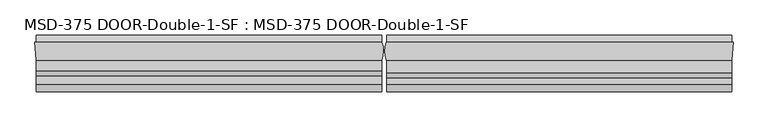
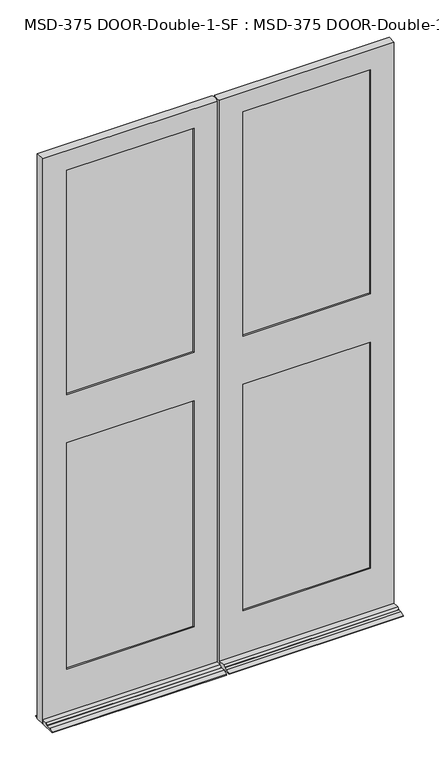
"""IFC4 building model written with IfcOpenShell, lengths in millimetres: plate geometry, MSD-375 DOOR-Double-1-SF : MSD-375 DOOR-Double-1-SF."""

from ifc_helpers import new_model, si_unit, frame, origin, place, context, project, spatial, polyline, circle_curve, outline, extrude, source, transform, mapped, element, save
from ifc_brep_helpers import plane_surface, cylinder_surface, advanced_brep


def msd_375_door_double_1_sf_msd_375_door_double_1_sf_95376948(model_context):
    return source(origin(), model_context, "Body", "SolidModel", [
        advanced_brep(
        [(-875.0543684, -44.45, 0.0), (-877.8229684, 0.0, 0.0), (-874.8315257, 0.0, 0.0), (-874.8315257, 19.05, 0.0), (-6.1450388, 19.05, 0.0), (-6.1450388, 0.0, 0.0), (-5.5889985, 0.0, 0.0), (-6.1450388, -44.45, 0.0), (-6.1450388, -123.825, 0.0), (-874.8315257, -123.825, 0.0), (-874.8315257, -44.45, 0.0), (-6.1450388, -44.45, 21.4376), (-6.1450388, -70.3199, 21.4376), (-6.1450388, -82.7405, 14.2748), (-6.1450388, -82.7405, 12.7), (-6.1450388, -104.775, 12.7), (-6.1450388, -123.825, 3.175), (-6.1450388, 19.05, 3.175), (-6.1450388, 0.0, 12.7), (-874.8315257, 0.0, 12.7), (-874.8315257, 19.05, 3.175), (-874.8315257, -123.825, 3.175), (-874.8315257, -104.775, 12.7), (-874.8315257, -82.7405, 12.7), (-874.8315257, -82.7405, 14.2748), (-874.8315257, -70.3199, 21.4376), (-874.8315257, -44.45, 21.4376), (-122.2373508, -11.6078, 1670.8374), (-122.2373508, -37.0078, 1670.8374), (-122.2373508, -37.0078, 1456.5122), (-122.2373508, -11.6078, 1456.5122), (-122.2373508, 0.0, 1436.6748), (-122.2373508, 0.0, 246.0625), (-122.2373508, -11.6078, 246.0625), (-122.2373508, -11.6078, 1436.6748), (-122.2373508, -11.6078, 1690.6748), (-122.2373508, -11.6078, 2870.2), (-122.2373508, 0.0, 2870.2), (-122.2373508, 0.0, 1690.6748), (-102.3999508, -37.0078, 2890.0374), (-102.3999508, -11.6078, 2890.0374), (-102.3999508, -11.6078, 226.21875), (-102.3999508, -37.0078, 226.21875), (-122.2373508, -37.0078, 1436.6748), (-122.2373508, -37.0078, 246.0625), (-122.2373508, -44.45, 246.0625), (-122.2373508, -44.45, 1436.6748), (-122.2373508, -44.45, 1690.6748), (-122.2373508, -44.45, 2870.2), (-122.2373508, -37.0078, 2870.2), (-122.2373508, -37.0078, 1690.6748), (-757.1729684, -44.45, 246.0625), (-757.1729684, -37.0078, 246.0625), (-757.1729684, -37.0078, 1436.6748), (-757.1729684, -44.45, 1436.6748), (-757.1729684, -37.0078, 2870.2), (-757.1729684, -44.45, 2870.2), (-757.1729684, -44.45, 1690.6748), (-757.1729684, -37.0078, 1690.6748), (-777.0103684, -11.6078, 2890.0374), (-777.0103684, -37.0078, 2890.0374), (-777.0103684, -37.0078, 226.21875), (-777.0103684, -11.6078, 226.21875), (-757.1729684, -11.6078, 246.0625), (-757.1729684, 0.0, 246.0625), (-757.1729684, 0.0, 1436.6748), (-757.1729684, -11.6078, 1436.6748), (-757.1729684, 0.0, 2870.2), (-757.1729684, -11.6078, 2870.2), (-757.1729684, -11.6078, 1690.6748), (-757.1729684, 0.0, 1690.6748), (-757.1729684, -11.6078, 1670.8374), (-757.1729684, -37.0078, 1670.8374), (-757.1729684, -37.0078, 1456.5122), (-757.1729684, -11.6078, 1456.5122), (-5.5889985, 0.0, 2971.8), (-6.1450388, -44.45, 2971.8), (-875.0543684, -44.45, 2971.8), (-877.8229684, 0.0, 2971.8)],
        [
            (0, 1),
            (1, 2),
            (2, 3),
            (3, 4),
            (4, 5),
            (5, 6),
            (6, 7, circle_curve(frame((-61.4514685, -21.529675, 0.0), z_axis=(0.0, 0.0, -1.0), x_axis=(0.0, -1.0, 0.0)), 59.867708)),
            (7, 8),
            (8, 9),
            (9, 10),
            (10, 0),
            (11, 12),
            (12, 13),
            (13, 14),
            (14, 15),
            (15, 16),
            (16, 8),
            (7, 11),
            (4, 17),
            (17, 18),
            (18, 5),
            (19, 20),
            (20, 3),
            (2, 19),
            (9, 21),
            (21, 22),
            (22, 23),
            (23, 24),
            (24, 25),
            (25, 26),
            (26, 10),
            (27, 28),
            (28, 29),
            (29, 30),
            (30, 27),
            (31, 32),
            (32, 33),
            (33, 34),
            (34, 31),
            (35, 36),
            (36, 37),
            (37, 38),
            (38, 35),
            (39, 40),
            (40, 41),
            (41, 42),
            (42, 39),
            (43, 44),
            (44, 45),
            (45, 46),
            (46, 43),
            (47, 48),
            (48, 49),
            (49, 50),
            (50, 47),
            (51, 52),
            (52, 53),
            (53, 54),
            (54, 51),
            (55, 56),
            (56, 57),
            (57, 58),
            (58, 55),
            (59, 60),
            (60, 61),
            (61, 62),
            (62, 59),
            (63, 64),
            (64, 65),
            (65, 66),
            (66, 63),
            (67, 68),
            (68, 69),
            (69, 70),
            (70, 67),
            (63, 33),
            (32, 64),
            (61, 42),
            (41, 62),
            (51, 45),
            (44, 52),
            (11, 26),
            (25, 12),
            (24, 13),
            (23, 14),
            (22, 15),
            (21, 16),
            (20, 17),
            (19, 18),
            (38, 70),
            (69, 35),
            (27, 71),
            (71, 72),
            (72, 28),
            (50, 58),
            (57, 47),
            (46, 54),
            (53, 43),
            (29, 73),
            (73, 74),
            (74, 30),
            (34, 66),
            (65, 31),
            (75, 76, circle_curve(frame((-61.4514685, -21.529675, 2971.8), z_axis=(0.0, 0.0, -1.0), x_axis=(0.0, -1.0, 0.0)), 59.867708)),
            (76, 11),
            (6, 75),
            (77, 78),
            (78, 1),
            (0, 77),
            (78, 75),
            (37, 67),
            (36, 68),
            (40, 59),
            (74, 71),
            (39, 60),
            (49, 55),
            (72, 73),
            (48, 56),
            (76, 77),
        ],
        [
            plane_surface(frame((-882.6501356, -24.3078, 0.0), z_axis=(0.0, 0.0, -1.0), x_axis=(0.0, -1.0, 0.0))),
            plane_surface(frame((-6.1450388, -24.3078, 0.0), z_axis=(1.0, 0.0, 0.0), x_axis=(0.0, -1.0, 0.0))),
            plane_surface(frame((-874.8315257, -24.3078, 0.0), z_axis=(-1.0, 0.0, 0.0), x_axis=(0.0, -1.0, 0.0))),
            plane_surface(frame((-122.2373508, -24.3078, 1492.25), z_axis=(1.0, 0.0, 0.0), x_axis=(0.0, -1.0, 0.0))),
            plane_surface(frame((-122.2373508, 0.0, 2971.8), z_axis=(-1.0, 0.0, 0.0), x_axis=(0.0, 0.0, -1.0))),
            plane_surface(frame((-102.3999508, -11.6078, 2971.8), z_axis=(-1.0, 0.0, 0.0), x_axis=(0.0, 0.0, -1.0))),
            plane_surface(frame((-122.2373508, -37.0078, 2971.8), z_axis=(-1.0, 0.0, 0.0), x_axis=(0.0, 0.0, -1.0))),
            plane_surface(frame((-757.1729684, -44.45, 2971.8), z_axis=(1.0, 0.0, 0.0), x_axis=(0.0, 0.0, -1.0))),
            plane_surface(frame((-777.0103684, -37.0078, 2971.8), z_axis=(1.0, 0.0, 0.0), x_axis=(0.0, 0.0, -1.0))),
            plane_surface(frame((-757.1729684, -11.6078, 2971.8), z_axis=(1.0, 0.0, 0.0), x_axis=(0.0, 0.0, -1.0))),
            plane_surface(frame((-6.1450388, 0.0, 246.0625), z_axis=(0.0, 0.0, 1.0), x_axis=(-1.0, 0.0, 0.0))),
            plane_surface(frame((-6.1450388, -11.6078, 226.21875), z_axis=(0.0, 0.0, 1.0), x_axis=(-1.0, 0.0, 0.0))),
            plane_surface(frame((-6.1450388, -37.0078, 246.0625), z_axis=(0.0, 0.0, 1.0), x_axis=(-1.0, 0.0, 0.0))),
            plane_surface(frame((-6.1450388, -44.45, 21.4376), z_axis=(0.0, 0.0, 1.0), x_axis=(-1.0, 0.0, 0.0))),
            plane_surface(frame((-6.1450388, -70.3199, 21.4376), z_axis=(0.0, -0.4995690841887311, 0.8662740502420885), x_axis=(-1.0, 0.0, 0.0))),
            plane_surface(frame((-6.1450388, -82.7405, 14.2748), z_axis=(0.0, -1.0, 0.0), x_axis=(-1.0, 0.0, 0.0))),
            plane_surface(frame((-6.1450388, -82.7405, 12.7), z_axis=(0.0, 0.0, 1.0), x_axis=(-1.0, 0.0, 0.0))),
            plane_surface(frame((-6.1450388, -104.775, 12.7), z_axis=(0.0, -0.44721359549996303, 0.8944271909999134), x_axis=(-1.0, 0.0, 0.0))),
            plane_surface(frame((-6.1450388, -123.825, 3.175), z_axis=(0.0, -1.0, 0.0), x_axis=(-1.0, 0.0, 0.0))),
            plane_surface(frame((-6.1450388, 19.05, 0.0), z_axis=(0.0, 1.0, 0.0), x_axis=(-1.0, 0.0, 0.0))),
            plane_surface(frame((-6.1450388, 19.05, 3.175), z_axis=(0.0, 0.4472135954998544, 0.8944271909999677), x_axis=(-1.0, 0.0, 0.0))),
            plane_surface(frame((-122.2373508, 0.0, 1690.6748), z_axis=(0.0, 0.0, 1.0), x_axis=(-1.0, 0.0, 0.0))),
            plane_surface(frame((-122.2373508, -11.6078, 1670.8374), z_axis=(0.0, 0.0, 1.0), x_axis=(-1.0, 0.0, 0.0))),
            plane_surface(frame((-122.2373508, -37.0078, 1690.6748), z_axis=(0.0, 0.0, 1.0), x_axis=(-1.0, 0.0, 0.0))),
            plane_surface(frame((-122.2373508, -44.45, 1436.6748), z_axis=(0.0, 0.0, -1.0), x_axis=(-1.0, 0.0, 0.0))),
            plane_surface(frame((-122.2373508, -37.0078, 1456.5122), z_axis=(0.0, 0.0, -1.0), x_axis=(-1.0, 0.0, 0.0))),
            plane_surface(frame((-122.2373508, -11.6078, 1436.6748), z_axis=(0.0, 0.0, -1.0), x_axis=(-1.0, 0.0, 0.0))),
            cylinder_surface(frame((-61.4514685, -21.529675, 2971.8), z_axis=(0.0, 0.0, 1.0), x_axis=(0.0, -1.0, 0.0)), 59.867708),
            plane_surface(frame((-877.8229684, 0.0, 2971.8), z_axis=(-0.998065870687919, -0.06216524565998525, 0.0), x_axis=(0.0, 0.0, -1.0))),
            plane_surface(frame((-875.0543684, 0.0, 2971.8), z_axis=(0.0, 1.0, 0.0), x_axis=(1.0, 0.0, 0.0))),
            plane_surface(frame((-875.0543684, 0.0, 2870.2), z_axis=(0.0, 0.0, -1.0), x_axis=(1.0, 0.0, 0.0))),
            plane_surface(frame((-875.0543684, -11.6078, 2870.2), z_axis=(0.0, -1.0, 0.0), x_axis=(1.0, 0.0, 0.0))),
            plane_surface(frame((-875.0543684, -11.6078, 2890.0374), z_axis=(0.0, 0.0, -1.0), x_axis=(1.0, 0.0, 0.0))),
            plane_surface(frame((-875.0543684, -37.0078, 2890.0374), z_axis=(0.0, 1.0, 0.0), x_axis=(1.0, 0.0, 0.0))),
            plane_surface(frame((-875.0543684, -37.0078, 2870.2), z_axis=(0.0, 0.0, -1.0), x_axis=(1.0, 0.0, 0.0))),
            plane_surface(frame((-875.0543684, -44.45, 2870.2), z_axis=(0.0, -1.0, 0.0), x_axis=(1.0, 0.0, 0.0))),
            plane_surface(frame((-875.0543684, -44.45, 2971.8), z_axis=(0.0, 0.0, 1.0), x_axis=(1.0, 0.0, 0.0))),
            plane_surface(frame((-757.1729684, -24.3078, 1492.25), z_axis=(-1.0, 0.0, 0.0), x_axis=(0.0, -1.0, 0.0))),
        ],
        [
            (0, [[1, 2, 3, 4, 5, 6, 7, 8, 9, 10, 11]]),
            (1, [[12, 13, 14, 15, 16, 17, -8, 18]]),
            (1, [[19, 20, 21, -5]]),
            (2, [[22, 23, -3, 24]]),
            (2, [[25, 26, 27, 28, 29, 30, 31, -10]]),
            (3, [[32, 33, 34, 35]]),
            (4, [[36, 37, 38, 39]]),
            (4, [[40, 41, 42, 43]]),
            (5, [[44, 45, 46, 47]]),
            (6, [[48, 49, 50, 51]]),
            (6, [[52, 53, 54, 55]]),
            (7, [[56, 57, 58, 59]]),
            (7, [[60, 61, 62, 63]]),
            (8, [[64, 65, 66, 67]]),
            (9, [[68, 69, 70, 71]]),
            (9, [[72, 73, 74, 75]]),
            (10, [[-68, 76, -37, 77]]),
            (11, [[-66, 78, -46, 79]]),
            (12, [[-56, 80, -49, 81]]),
            (13, [[-12, 82, -30, 83]]),
            (14, [[-13, -83, -29, 84]]),
            (15, [[-14, -84, -28, 85]]),
            (16, [[-15, -85, -27, 86]]),
            (17, [[-16, -86, -26, 87]]),
            (18, [[-17, -87, -25, -9]]),
            (19, [[-19, -4, -23, 88]]),
            (20, [[-20, -88, -22, 89]]),
            (21, [[90, -74, 91, -43]]),
            (22, [[-32, 92, 93, 94]]),
            (23, [[95, -62, 96, -55]]),
            (24, [[97, -58, 98, -51]]),
            (25, [[-34, 99, 100, 101]]),
            (26, [[102, -70, 103, -39]]),
            (27, [[104, 105, -18, -7, 106]]),
            (28, [[107, 108, -1, 109]]),
            (29, [[-108, 110, -106, -6, -21, -89, -24, -2], [-90, -42, 111, -75], [-103, -69, -77, -36]]),
            (30, [[-72, -111, -41, 112]]),
            (31, [[-67, -79, -45, 113], [-92, -35, -101, 114], [-102, -38, -76, -71], [-91, -73, -112, -40]]),
            (32, [[-64, -113, -44, 115]]),
            (33, [[-65, -115, -47, -78], [-95, -54, 116, -63], [-94, 117, -99, -33], [-98, -57, -81, -48]]),
            (34, [[-60, -116, -53, 118]]),
            (35, [[-109, -11, -31, -82, -105, 119], [-97, -50, -80, -59], [-96, -61, -118, -52]]),
            (36, [[-107, -119, -104, -110]]),
            (37, [[-100, -117, -93, -114]]),
        ],
    ),
        advanced_brep(
        [(6.1450388, -44.45, 0.0), (5.5889985, 0.0, 0.0), (6.1450388, 0.0, 0.0), (6.1450388, 19.05, 0.0), (874.318935, 19.05, 0.0), (874.318935, 0.0, 0.0), (877.3103777, 0.0, 0.0), (874.5417777, -44.45, 0.0), (874.318935, -44.45, 0.0), (874.318935, -123.825, 0.0), (6.1450388, -123.825, 0.0), (874.318935, -44.45, 21.4376), (874.318935, -75.87615, 21.4376), (874.318935, -88.29675, 14.2748), (874.318935, -88.29675, 12.7), (874.318935, -104.775, 12.7), (874.318935, -123.825, 3.175), (874.318935, 19.05, 3.175), (874.318935, 0.0, 12.7), (6.1450388, 0.0, 12.7), (6.1450388, 19.05, 3.175), (6.1450388, -123.825, 3.175), (6.1450388, -104.775, 12.7), (6.1450388, -88.29675, 12.7), (6.1450388, -88.29675, 14.2748), (6.1450388, -75.87615, 21.4376), (6.1450388, -44.45, 21.4376), (5.5889985, -44.45, 2870.2), (5.5889985, -44.45, 2971.8), (5.5889985, -43.05935, 2971.8), (5.5889985, -43.05935, 2870.2), (122.2376492, -37.0078, 1670.8374), (122.2376492, -11.6078, 1670.8374), (122.2376492, -11.6078, 1456.5249), (122.2376492, -37.0078, 1456.5249), (122.2376492, -37.0078, 2870.2), (122.2376492, -44.45, 2870.2), (122.2376492, -44.45, 1690.6748), (122.2376492, -37.0078, 1690.6748), (122.2376492, -37.0078, 1436.6748), (122.2376492, -44.45, 1436.6748), (122.2376492, -44.45, 246.0625), (122.2376492, -37.0078, 246.0625), (102.4002492, -11.6078, 226.21875), (102.4002492, -11.6078, 2890.0374), (102.4002492, -37.0078, 2890.0374), (102.4002492, -37.0078, 226.21875), (122.2376492, 0.0, 2870.2), (122.2376492, -11.6078, 2870.2), (122.2376492, -11.6078, 1690.6748), (122.2376492, 0.0, 1690.6748), (122.2376492, 0.0, 1436.6748), (122.2376492, -11.6078, 1436.6748), (122.2376492, -11.6078, 246.0625), (122.2376492, 0.0, 246.0625), (756.6603777, -11.6078, 2870.2), (756.6603777, 0.0, 2870.2), (756.6603777, 0.0, 1690.6748), (756.6603777, -11.6078, 1690.6748), (756.6603777, -11.6078, 1436.6748), (756.6603777, 0.0, 1436.6748), (756.6603777, 0.0, 246.0625), (756.6603777, -11.6078, 246.0625), (776.4977777, -11.6078, 2890.0374), (776.4977777, -11.6078, 226.21875), (756.6603777, -11.6078, 1456.5249), (756.6603777, -11.6078, 1670.8374), (776.4977777, -37.0078, 226.21875), (776.4977777, -37.0078, 2890.0374), (756.6603777, -37.0078, 246.0625), (756.6603777, -37.0078, 1436.6748), (756.6603777, -37.0078, 2870.2), (756.6603777, -37.0078, 1690.6748), (756.6603777, -37.0078, 1456.5249), (756.6603777, -37.0078, 1670.8374), (756.6603777, -44.45, 2870.2), (756.6603777, -44.45, 1690.6748), (756.6603777, -44.45, 1436.6748), (756.6603777, -44.45, 246.0625), (6.1450388, -44.45, 2870.2), (874.5417777, -44.45, 2971.8), (877.3103777, 0.0, 2971.8), (5.5889985, 0.0, 2971.8)],
        [
            (0, 1, circle_curve(frame((61.4514685, -21.529675, 0.0), z_axis=(0.0, 0.0, -1.0), x_axis=(0.0, -1.0, 0.0)), 59.867708)),
            (1, 2),
            (2, 3),
            (3, 4),
            (4, 5),
            (5, 6),
            (6, 7),
            (7, 8),
            (8, 9),
            (9, 10),
            (10, 0),
            (11, 12),
            (12, 13),
            (13, 14),
            (14, 15),
            (15, 16),
            (16, 9),
            (8, 11),
            (4, 17),
            (17, 18),
            (18, 5),
            (19, 20),
            (20, 3),
            (2, 19),
            (10, 21),
            (21, 22),
            (22, 23),
            (23, 24),
            (24, 25),
            (25, 26),
            (26, 0),
            (27, 28),
            (28, 29),
            (29, 30),
            (30, 27),
            (31, 32),
            (32, 33),
            (33, 34),
            (34, 31),
            (35, 36),
            (36, 37),
            (37, 38),
            (38, 35),
            (39, 40),
            (40, 41),
            (41, 42),
            (42, 39),
            (43, 44),
            (44, 45),
            (45, 46),
            (46, 43),
            (47, 48),
            (48, 49),
            (49, 50),
            (50, 47),
            (51, 52),
            (52, 53),
            (53, 54),
            (54, 51),
            (55, 56),
            (56, 57),
            (57, 58),
            (58, 55),
            (59, 60),
            (60, 61),
            (61, 62),
            (62, 59),
            (63, 44),
            (43, 64),
            (64, 63),
            (62, 53),
            (52, 59),
            (48, 55),
            (58, 49),
            (65, 33),
            (32, 66),
            (66, 65),
            (67, 68),
            (68, 63),
            (64, 67),
            (45, 68),
            (67, 46),
            (42, 69),
            (69, 70),
            (70, 39),
            (71, 35),
            (38, 72),
            (72, 71),
            (34, 73),
            (73, 74),
            (74, 31),
            (75, 71),
            (72, 76),
            (76, 75),
            (77, 70),
            (69, 78),
            (78, 77),
            (27, 79),
            (79, 26),
            (26, 11),
            (7, 80),
            (80, 28),
            (78, 41),
            (40, 77),
            (36, 75),
            (76, 37),
            (81, 80),
            (6, 81),
            (18, 19),
            (1, 82),
            (82, 81),
            (54, 61),
            (60, 51),
            (56, 47),
            (50, 57),
            (30, 79, circle_curve(frame((61.4514685, -21.529675, 2870.2), z_axis=(0.0, 0.0, 1.0), x_axis=(0.0, -1.0, 0.0)), 59.867708)),
            (25, 12),
            (65, 73),
            (74, 66),
            (29, 82, circle_curve(frame((61.4514685, -21.529675, 2971.8), z_axis=(0.0, 0.0, -1.0), x_axis=(0.0, -1.0, 0.0)), 59.867708)),
            (24, 13),
            (23, 14),
            (22, 15),
            (21, 16),
            (20, 17),
        ],
        [
            plane_surface(frame((-882.6501356, -24.3078, 0.0), z_axis=(0.0, 0.0, -1.0), x_axis=(0.0, -1.0, 0.0))),
            plane_surface(frame((874.318935, -24.3078, 0.0), z_axis=(1.0, 0.0, 0.0), x_axis=(0.0, -1.0, 0.0))),
            plane_surface(frame((6.1450388, -24.3078, 0.0), z_axis=(-1.0, 0.0, 0.0), x_axis=(0.0, -1.0, 0.0))),
            plane_surface(frame((5.5889985, -24.3078, 2984.5), z_axis=(-1.0, 0.0, 0.0), x_axis=(0.0, -1.0, 0.0))),
            plane_surface(frame((122.2376492, -24.3078, 1492.25), z_axis=(-1.0, 0.0, 0.0), x_axis=(0.0, -1.0, 0.0))),
            plane_surface(frame((122.2376492, -44.45, 2971.8), z_axis=(1.0, 0.0, 0.0), x_axis=(0.0, 0.0, -1.0))),
            plane_surface(frame((102.4002492, -37.0078, 2971.8), z_axis=(1.0, 0.0, 0.0), x_axis=(0.0, 0.0, -1.0))),
            plane_surface(frame((122.2376492, -11.6078, 2971.8), z_axis=(1.0, 0.0, 0.0), x_axis=(0.0, 0.0, -1.0))),
            plane_surface(frame((756.6603777, 0.0, 2971.8), z_axis=(-1.0, 0.0, 0.0), x_axis=(0.0, 0.0, -1.0))),
            plane_surface(frame((756.6603777, -11.6078, 2971.8), z_axis=(0.0, -1.0, 0.0), x_axis=(0.0, 0.0, -1.0))),
            plane_surface(frame((776.4977777, -11.6078, 2971.8), z_axis=(-1.0, 0.0, 0.0), x_axis=(0.0, 0.0, -1.0))),
            plane_surface(frame((776.4977777, -37.0078, 2971.8), z_axis=(0.0, 1.0, 0.0), x_axis=(0.0, 0.0, -1.0))),
            plane_surface(frame((756.6603777, -37.0078, 2971.8), z_axis=(-1.0, 0.0, 0.0), x_axis=(0.0, 0.0, -1.0))),
            plane_surface(frame((756.6603777, -44.45, 2971.8), z_axis=(0.0, -1.0, 0.0), x_axis=(0.0, 0.0, -1.0))),
            plane_surface(frame((874.5417777, -44.45, 2971.8), z_axis=(0.9980658706879184, -0.062165245659993755, 0.0), x_axis=(0.0, 0.0, -1.0))),
            plane_surface(frame((877.3103777, 0.0, 2971.8), z_axis=(0.0, 1.0, 0.0), x_axis=(0.0, 0.0, -1.0))),
            plane_surface(frame((5.5889985, 0.0, 2870.2), z_axis=(0.0, 0.0, -1.0), x_axis=(1.0, 0.0, 0.0))),
            plane_surface(frame((5.5889985, -11.6078, 2890.0374), z_axis=(0.0, 0.0, -1.0), x_axis=(1.0, 0.0, 0.0))),
            plane_surface(frame((5.5889985, -37.0078, 2870.2), z_axis=(0.0, 0.0, -1.0), x_axis=(1.0, 0.0, 0.0))),
            plane_surface(frame((874.318935, 0.0, 246.0625), z_axis=(0.0, 0.0, 1.0), x_axis=(-1.0, 0.0, 0.0))),
            plane_surface(frame((874.318935, -11.6078, 226.21875), z_axis=(0.0, 0.0, 1.0), x_axis=(-1.0, 0.0, 0.0))),
            plane_surface(frame((874.318935, -37.0078, 246.0625), z_axis=(0.0, 0.0, 1.0), x_axis=(-1.0, 0.0, 0.0))),
            plane_surface(frame((874.318935, -44.45, 21.4376), z_axis=(0.0, 0.0, 1.0), x_axis=(-1.0, 0.0, 0.0))),
            plane_surface(frame((756.6603777, -44.45, 1436.6748), z_axis=(0.0, 0.0, -1.0), x_axis=(-1.0, 0.0, 0.0))),
            plane_surface(frame((756.6603777, -37.0078, 1456.5249), z_axis=(0.0, 0.0, -1.0), x_axis=(-1.0, 0.0, 0.0))),
            plane_surface(frame((756.6603777, -11.6078, 1436.6748), z_axis=(0.0, 0.0, -1.0), x_axis=(-1.0, 0.0, 0.0))),
            plane_surface(frame((756.6603777, 0.0, 1690.6748), z_axis=(0.0, 0.0, 1.0), x_axis=(-1.0, 0.0, 0.0))),
            plane_surface(frame((756.6603777, -11.6078, 1670.8374), z_axis=(0.0, 0.0, 1.0), x_axis=(-1.0, 0.0, 0.0))),
            plane_surface(frame((756.6603777, -37.0078, 1690.6748), z_axis=(0.0, 0.0, 1.0), x_axis=(-1.0, 0.0, 0.0))),
            cylinder_surface(frame((61.4514685, -21.529675, 2971.8), z_axis=(0.0, 0.0, 1.0), x_axis=(0.0, -1.0, 0.0)), 59.867708),
            plane_surface(frame((-875.0543684, -44.45, 2971.8), z_axis=(0.0, 0.0, 1.0), x_axis=(1.0, 0.0, 0.0))),
            plane_surface(frame((874.318935, -75.87615, 21.4376), z_axis=(0.0, -0.49956908418867657, 0.86627405024212), x_axis=(-1.0, 0.0, 0.0))),
            plane_surface(frame((874.318935, -88.29675, 14.2748), z_axis=(0.0, -1.0, 0.0), x_axis=(-1.0, 0.0, 0.0))),
            plane_surface(frame((874.318935, -88.29675, 12.7), z_axis=(0.0, 0.0, 1.0), x_axis=(-1.0, 0.0, 0.0))),
            plane_surface(frame((874.318935, -104.775, 12.7), z_axis=(0.0, -0.44721359549996875, 0.8944271909999105), x_axis=(-1.0, 0.0, 0.0))),
            plane_surface(frame((874.318935, -123.825, 3.175), z_axis=(0.0, -1.0, 0.0), x_axis=(-1.0, 0.0, 0.0))),
            plane_surface(frame((874.318935, 19.05, 0.0), z_axis=(0.0, 1.0, 0.0), x_axis=(-1.0, 0.0, 0.0))),
            plane_surface(frame((874.318935, 19.05, 3.175), z_axis=(0.0, 0.44721359549990647, 0.8944271909999417), x_axis=(-1.0, 0.0, 0.0))),
            plane_surface(frame((756.6603777, -24.3078, 1492.25), z_axis=(1.0, 0.0, 0.0), x_axis=(0.0, -1.0, 0.0))),
        ],
        [
            (0, [[1, 2, 3, 4, 5, 6, 7, 8, 9, 10, 11]]),
            (1, [[12, 13, 14, 15, 16, 17, -9, 18]]),
            (1, [[19, 20, 21, -5]]),
            (2, [[22, 23, -3, 24]]),
            (2, [[25, 26, 27, 28, 29, 30, 31, -11]]),
            (3, [[32, 33, 34, 35]]),
            (4, [[36, 37, 38, 39]]),
            (5, [[40, 41, 42, 43]]),
            (5, [[44, 45, 46, 47]]),
            (6, [[48, 49, 50, 51]]),
            (7, [[52, 53, 54, 55]]),
            (7, [[56, 57, 58, 59]]),
            (8, [[60, 61, 62, 63]]),
            (8, [[64, 65, 66, 67]]),
            (9, [[68, -48, 69, 70], [-67, 71, -57, 72], [73, -63, 74, -53], [75, -37, 76, 77]]),
            (10, [[78, 79, -70, 80]]),
            (11, [[81, -78, 82, -50], [-47, 83, 84, 85], [86, -43, 87, 88], [89, 90, 91, -39]]),
            (12, [[92, -88, 93, 94]]),
            (12, [[95, -84, 96, 97]]),
            (13, [[-32, 98, 99, 100, -18, -8, 101, 102], [-97, 103, -45, 104], [105, -94, 106, -41]]),
            (14, [[107, -101, -7, 108]]),
            (15, [[-108, -6, -21, 109, -24, -2, 110, 111], [-59, 112, -65, 113], [114, -55, 115, -61]]),
            (16, [[-73, -52, -114, -60]]),
            (17, [[-79, -81, -49, -68]]),
            (18, [[-98, -35, 116]]),
            (18, [[-105, -40, -86, -92]]),
            (19, [[-112, -58, -71, -66]]),
            (20, [[-82, -80, -69, -51]]),
            (21, [[-83, -46, -103, -96]]),
            (22, [[-12, -100, -30, 117]]),
            (23, [[-104, -44, -85, -95]]),
            (24, [[118, -89, -38, -75]]),
            (25, [[-72, -56, -113, -64]]),
            (26, [[-115, -54, -74, -62]]),
            (27, [[119, -76, -36, -91]]),
            (28, [[-106, -93, -87, -42]]),
            (29, [[-1, -31, -99, -116, -34, 120, -110]]),
            (30, [[-107, -111, -120, -33, -102]]),
            (31, [[-13, -117, -29, 121]]),
            (32, [[-14, -121, -28, 122]]),
            (33, [[-15, -122, -27, 123]]),
            (34, [[-16, -123, -26, 124]]),
            (35, [[-17, -124, -25, -10]]),
            (36, [[-19, -4, -23, 125]]),
            (37, [[-109, -20, -125, -22]]),
            (38, [[-118, -77, -119, -90]]),
        ],
    ),
        extrude(outline(polyline([(-777.0103684, -11.6078), (-102.3999508, -11.6078), (-102.3999508, -16.6878), (-777.0103684, -16.6878), (-777.0103684, -11.6078)])), frame((0.0, 0.0, 1670.8374), z_axis=(0.0, 0.0, 1.0), x_axis=(1.0, 0.0, 0.0)), (0.0, 0.0, 1.0), 1219.2),
        extrude(outline(polyline([(-102.4001, -26.0858), (-102.4001, -31.1658), (-777.0103684, -31.1658), (-777.0103684, -26.0858), (-102.4001, -26.0858)])), frame((0.0, 0.0, 1670.8374), z_axis=(0.0, 0.0, 1.0), x_axis=(1.0, 0.0, 0.0)), (0.0, 0.0, 1.0), 1219.2),
        extrude(outline(polyline([(-102.4001, -31.9278), (-102.4001, -37.0078), (-777.0103684, -37.0078), (-777.0103684, -31.9278), (-102.4001, -31.9278)])), frame((0.0, 0.0, 1670.8374), z_axis=(0.0, 0.0, 1.0), x_axis=(1.0, 0.0, 0.0)), (0.0, 0.0, 1.0), 1219.2),
        extrude(outline(polyline([(-777.0103684, -11.6078), (-102.4001, -11.6078), (-102.4001, -16.6878), (-777.0103684, -16.6878), (-777.0103684, -11.6078)])), frame((0.0, 0.0, 226.21875), z_axis=(0.0, 0.0, 1.0), x_axis=(1.0, 0.0, 0.0)), (0.0, 0.0, 1.0), 1230.30615),
        extrude(outline(polyline([(-102.4001, -26.0858), (-102.4001, -31.1658), (-777.0103684, -31.1658), (-777.0103684, -26.0858), (-102.4001, -26.0858)])), frame((0.0, 0.0, 226.21875), z_axis=(0.0, 0.0, 1.0), x_axis=(1.0, 0.0, 0.0)), (0.0, 0.0, 1.0), 1230.30615),
        extrude(outline(polyline([(-777.0103684, -31.9278), (-102.4001, -31.9278), (-102.4001, -37.0078), (-777.0103684, -37.0078), (-777.0103684, -31.9278)])), frame((0.0, 0.0, 226.21875), z_axis=(0.0, 0.0, 1.0), x_axis=(1.0, 0.0, 0.0)), (0.0, 0.0, 1.0), 1230.30615),
        extrude(outline(polyline([(776.4977777, -11.6078), (776.4977777, -16.6878), (102.4002492, -16.6878), (102.4002492, -11.6078), (776.4977777, -11.6078)])), frame((0.0, 0.0, 1670.8374), z_axis=(0.0, 0.0, 1.0), x_axis=(1.0, 0.0, 0.0)), (0.0, 0.0, 1.0), 1219.2),
        extrude(outline(polyline([(102.4002492, -26.0858), (776.4977777, -26.0858), (776.4977777, -31.1658), (102.4002492, -31.1658), (102.4002492, -26.0858)])), frame((0.0, 0.0, 1670.8374), z_axis=(0.0, 0.0, 1.0), x_axis=(1.0, 0.0, 0.0)), (0.0, 0.0, 1.0), 1219.2),
        extrude(outline(polyline([(776.4977777, -31.9278), (776.4977777, -37.0078), (102.4002492, -37.0078), (102.4002492, -31.9278), (776.4977777, -31.9278)])), frame((0.0, 0.0, 1670.8374), z_axis=(0.0, 0.0, 1.0), x_axis=(1.0, 0.0, 0.0)), (0.0, 0.0, 1.0), 1219.2),
        extrude(outline(polyline([(102.4002492, -11.6078), (776.4977777, -11.6078), (776.4977777, -16.6878), (102.4002492, -16.6878), (102.4002492, -11.6078)])), frame((0.0, 0.0, 226.21875), z_axis=(0.0, 0.0, 1.0), x_axis=(1.0, 0.0, 0.0)), (0.0, 0.0, 1.0), 1230.30615),
        extrude(outline(polyline([(776.4977777, -26.0858), (776.4977777, -31.1658), (102.4002492, -31.1658), (102.4002492, -26.0858), (776.4977777, -26.0858)])), frame((0.0, 0.0, 226.21875), z_axis=(0.0, 0.0, 1.0), x_axis=(1.0, 0.0, 0.0)), (0.0, 0.0, 1.0), 1230.30615),
        extrude(outline(polyline([(102.4002492, -31.9278), (776.4977777, -31.9278), (776.4977777, -37.0078), (102.4002492, -37.0078), (102.4002492, -31.9278)])), frame((0.0, 0.0, 226.21875), z_axis=(0.0, 0.0, 1.0), x_axis=(1.0, 0.0, 0.0)), (0.0, 0.0, 1.0), 1230.30615),
    ])


if __name__ == "__main__":
    model = new_model("IFC4")
    model_context = context("Model", 3, world=origin())
    ifc_project = project(units=[si_unit("LENGTHUNIT", "METRE", prefix="MILLI")], contexts=[model_context])
    site = spatial("IfcSite", under=ifc_project)
    building = spatial("IfcBuilding", under=site)
    placement = place(None, origin())
    msd_375_door_double_1_sf_msd_375_door_double_1_sf_shape = msd_375_door_double_1_sf_msd_375_door_double_1_sf_95376948(model_context)
    element("IfcPlate", 1, ObjectType="MSD-375 DOOR-Double-1-SF : MSD-375 DOOR-Double-1-SF", at=placement, inside=building, context=model_context, shape_type="MappedRepresentation", body=[
        mapped(msd_375_door_double_1_sf_msd_375_door_double_1_sf_shape, transform((0.0, 0.0, 0.0), x_axis=(1.0, 0.0, 0.0), y_axis=(0.0, 1.0, 0.0), z_axis=(0.0, 0.0, 1.0))),
    ])
    save(model, "model.ifc")
